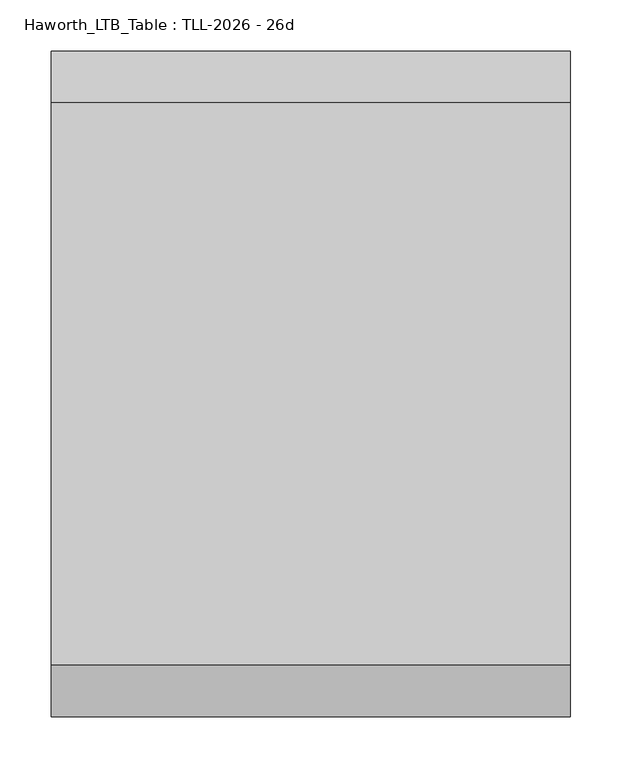
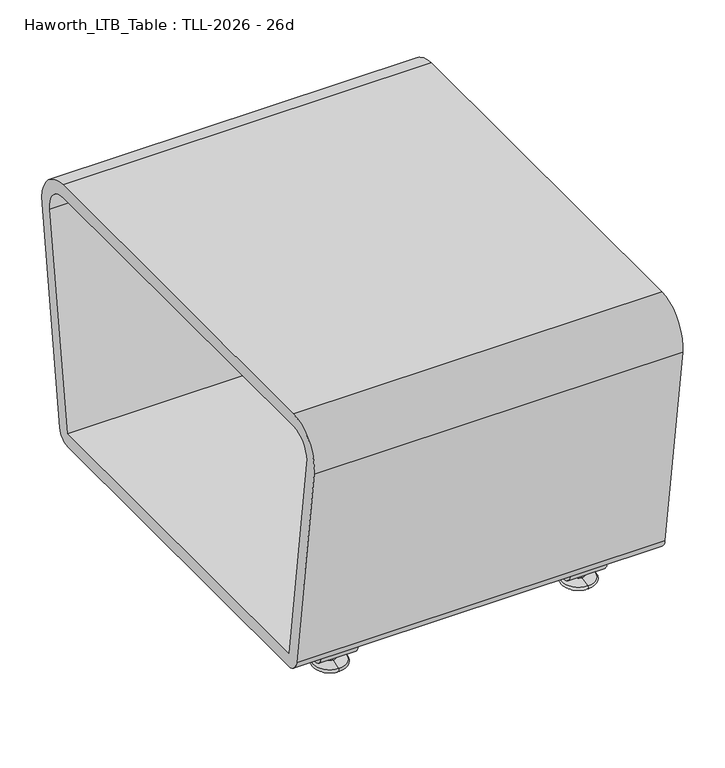
"""IFC4 building model written with IfcOpenShell, lengths in millimetres: furniture geometry, Haworth_LTB_Table : TLL-2026 - 26d."""

from ifc_helpers import new_model, si_unit, point, frame, frame_2d, origin, place, context, project, spatial, polyline, circle_curve, ellipse_curve, trimmed, segment, composite_curve, outline, extrude, source, transform, mapped, element, save
from ifc_brep_helpers import plane_surface, cylinder_surface, revolved_surface, advanced_brep


def haworth_ltb_table_tll_2026_26d_0a7d64eb(model_context):
    return source(origin(), model_context, "Body", "SolidModel", [
        advanced_brep(
        [(272.9954642, 287.2425052, 7.8133431), (272.9954642, 303.2355515, 7.8133431), (272.9954642, 300.0015284, 7.8133431), (272.9954642, 290.4765284, 7.8133431), (272.9954642, 273.3001513, 4.0775), (272.9954642, 317.1779054, 4.0775), (272.9954642, 273.7107026, 0.0), (272.9954642, 316.7673542, 0.0), (272.9954642, 295.2390284, 0.0), (272.9954642, 290.4765284, 50.0000004), (272.9954642, 300.0015284, 50.0000004), (272.9954642, 295.2390284, 50.0000004)],
        [
            (0, 1, circle_curve(frame((272.9954642, 295.2390284, 7.8133431), z_axis=(0.0, 0.0, 1.0), x_axis=(0.0, 1.0, 0.0)), 7.9965232)),
            (1, 2),
            (2, 3, circle_curve(frame((272.9954642, 295.2390284, 7.8133431), z_axis=(0.0, 0.0, -1.0), x_axis=(0.0, 1.0, 0.0)), 4.7625)),
            (3, 0),
            (1, 0, circle_curve(frame((272.9954642, 295.2390284, 7.8133431), z_axis=(0.0, 0.0, 1.0), x_axis=(0.0, 1.0, 0.0)), 7.9965232)),
            (3, 2, circle_curve(frame((272.9954642, 295.2390284, 7.8133431), z_axis=(0.0, 0.0, -1.0), x_axis=(0.0, 1.0, 0.0)), 4.7625)),
            (4, 5, circle_curve(frame((272.9954642, 295.2390284, 4.0775), z_axis=(0.0, 0.0, 1.0), x_axis=(0.0, 1.0, 0.0)), 21.9388771)),
            (5, 1),
            (0, 4),
            (5, 4, circle_curve(frame((272.9954642, 295.2390284, 4.0775), z_axis=(0.0, 0.0, 1.0), x_axis=(0.0, 1.0, 0.0)), 21.9388771)),
            (6, 7, circle_curve(frame((272.9954642, 295.2390284, 0.0), z_axis=(0.0, 0.0, 1.0), x_axis=(0.0, 1.0, 0.0)), 21.5283258)),
            (7, 5, circle_curve(frame((272.9954642, 316.6405822, 2.0721829), z_axis=(1.0, 0.0, 0.0), x_axis=(0.0, -1.0, 0.0)), 2.0760571)),
            (4, 6, circle_curve(frame((272.9954642, 273.8374745, 2.0721829), z_axis=(1.0, 0.0, 0.0), x_axis=(0.0, 1.0, 0.0)), 2.0760571)),
            (7, 6, circle_curve(frame((272.9954642, 295.2390284, 0.0), z_axis=(0.0, 0.0, 1.0), x_axis=(0.0, 1.0, 0.0)), 21.5283258)),
            (8, 7),
            (6, 8),
            (9, 10, circle_curve(frame((272.9954642, 295.2390284, 50.0000004), z_axis=(0.0, 0.0, 1.0), x_axis=(0.0, 1.0, 0.0)), 4.7625)),
            (10, 11),
            (11, 9),
            (10, 9, circle_curve(frame((272.9954642, 295.2390284, 50.0000004), z_axis=(0.0, 0.0, 1.0), x_axis=(0.0, 1.0, 0.0)), 4.7625)),
            (2, 10),
            (9, 3),
        ],
        [
            plane_surface(frame((272.9954642, 295.2390284, 7.8133431), z_axis=(0.0, 0.0, 1.0), x_axis=(0.0, 1.0, 0.0))),
            revolved_surface(polyline([(272.9954642, 303.2355515, 7.8133431), (272.9954642, 317.1779054, 4.0775)]), (272.9954642, 295.2390284, 0.0), (0.0, 0.0, -1.0)),
            revolved_surface(trimmed(ellipse_curve(frame((272.9954642, 316.6405822, 2.0721829), z_axis=(-1.0, 0.0, 0.0), x_axis=(0.0, -1.0, 0.0)), 2.0760571, 2.0760571), [point((272.9954642, 317.1779054, 4.0775))], [point((272.9954642, 316.7673542, 0.0))], True, "CARTESIAN"), (272.9954642, 295.2390284, 0.0), (0.0, 0.0, -1.0)),
            plane_surface(frame((272.9954642, 295.2390284, 0.0), z_axis=(0.0, 0.0, -1.0), x_axis=(0.0, 1.0, 0.0))),
            plane_surface(frame((272.9954642, 295.2390284, 50.0000004), z_axis=(0.0, 0.0, 1.0), x_axis=(0.0, 1.0, 0.0))),
            cylinder_surface(frame((272.9954642, 295.2390284, 0.0), z_axis=(0.0, 0.0, -1.0), x_axis=(0.0, 1.0, 0.0)), 4.7625),
        ],
        [
            (0, [[1, 2, 3, 4]]),
            (0, [[5, -4, 6, -2]]),
            (1, [[7, 8, -1, 9]]),
            (1, [[10, -9, -5, -8]]),
            (2, [[11, 12, -7, 13]]),
            (2, [[14, -13, -10, -12]]),
            (3, [[15, -11, 16]]),
            (3, [[-16, -14, -15]]),
            (4, [[17, 18, 19]]),
            (4, [[20, -19, -18]]),
            (5, [[-3, 21, -17, 22]]),
            (5, [[-6, -22, -20, -21]]),
        ],
    ),
        extrude(outline(composite_curve([segment(trimmed(circle_curve(frame_2d((304.394834, 30.0000007)), 15.000001), [point((319.248856, 27.9124042))], [point((304.394834, 14.9999997))], False, "CARTESIAN"), True, "CONTINUOUS"), segment(polyline([(304.394834, 14.9999997), (286.0832228, 14.9999997)]), True, "CONTINUOUS"), segment(trimmed(circle_curve(frame_2d((286.0832228, 30.0000007)), 15.000001), [point((286.0832228, 14.9999997))], [point((271.2292007, 27.9124042))], False, "CARTESIAN"), True, "CONTINUOUS"), segment(polyline([(271.2292007, 27.9124042), (268.1249917, 50.0000004), (273.8709154, 50.0000004), (276.8638262, 28.7043023)]), True, "CONTINUOUS"), segment(trimmed(circle_curve(frame_2d((286.0832241, 30.0000023)), 9.310002), [point((276.8638262, 28.7043023))], [point((286.0832241, 20.6900003))], True, "CARTESIAN"), True, "CONTINUOUS"), segment(polyline([(286.0832241, 20.6900003), (304.3948326, 20.6900003)]), True, "CONTINUOUS"), segment(trimmed(circle_curve(frame_2d((304.3948326, 30.0000023)), 9.310002), [point((304.3948326, 20.6900003))], [point((313.6142305, 28.7043023))], True, "CARTESIAN"), True, "CONTINUOUS"), segment(polyline([(313.6142305, 28.7043023), (316.6071413, 50.0000004), (322.353065, 50.0000004), (319.248856, 27.9124042)]), True, "CONTINUOUS")], self_intersect=False)), frame((247.5954642, 0.0, 0.0), z_axis=(1.0, 0.0, 0.0), x_axis=(0.0, 1.0, 0.0)), (0.0, 0.0, 1.0), 50.8),
        advanced_brep(
        [(616.0045358, 290.4765284, 7.8133431), (616.0045358, 300.0015284, 7.8133431), (616.0045358, 303.2355515, 7.8133431), (616.0045358, 287.2425052, 7.8133431), (616.0045358, 317.1779054, 4.0775), (616.0045358, 273.3001513, 4.0775), (616.0045358, 316.7673542, 0.0), (616.0045358, 273.7107026, 0.0), (616.0045358, 295.2390284, 0.0), (616.0045358, 295.2390284, 50.0000004), (616.0045358, 300.0015284, 50.0000004), (616.0045358, 290.4765284, 50.0000004)],
        [
            (0, 1, circle_curve(frame((616.0045358, 295.2390284, 7.8133431), z_axis=(0.0, 0.0, -1.0), x_axis=(0.0, 1.0, 0.0)), 4.7625)),
            (1, 2),
            (2, 3, circle_curve(frame((616.0045358, 295.2390284, 7.8133431), z_axis=(0.0, 0.0, 1.0), x_axis=(0.0, 1.0, 0.0)), 7.9965232)),
            (3, 0),
            (1, 0, circle_curve(frame((616.0045358, 295.2390284, 7.8133431), z_axis=(0.0, 0.0, -1.0), x_axis=(0.0, 1.0, 0.0)), 4.7625)),
            (3, 2, circle_curve(frame((616.0045358, 295.2390284, 7.8133431), z_axis=(0.0, 0.0, 1.0), x_axis=(0.0, 1.0, 0.0)), 7.9965232)),
            (2, 4),
            (4, 5, circle_curve(frame((616.0045358, 295.2390284, 4.0775), z_axis=(0.0, 0.0, 1.0), x_axis=(0.0, 1.0, 0.0)), 21.9388771)),
            (5, 3),
            (5, 4, circle_curve(frame((616.0045358, 295.2390284, 4.0775), z_axis=(0.0, 0.0, 1.0), x_axis=(0.0, 1.0, 0.0)), 21.9388771)),
            (4, 6, circle_curve(frame((616.0045358, 316.6405822, 2.0721829), z_axis=(-1.0, 0.0, 0.0), x_axis=(0.0, -1.0, 0.0)), 2.0760571)),
            (6, 7, circle_curve(frame((616.0045358, 295.2390284, 0.0), z_axis=(0.0, 0.0, 1.0), x_axis=(0.0, 1.0, 0.0)), 21.5283258)),
            (7, 5, circle_curve(frame((616.0045358, 273.8374745, 2.0721829), z_axis=(-1.0, 0.0, 0.0), x_axis=(0.0, 1.0, 0.0)), 2.0760571)),
            (7, 6, circle_curve(frame((616.0045358, 295.2390284, 0.0), z_axis=(0.0, 0.0, 1.0), x_axis=(0.0, 1.0, 0.0)), 21.5283258)),
            (6, 8),
            (8, 7),
            (9, 10),
            (10, 11, circle_curve(frame((616.0045358, 295.2390284, 50.0000004), z_axis=(0.0, 0.0, 1.0), x_axis=(0.0, 1.0, 0.0)), 4.7625)),
            (11, 9),
            (11, 10, circle_curve(frame((616.0045358, 295.2390284, 50.0000004), z_axis=(0.0, 0.0, 1.0), x_axis=(0.0, 1.0, 0.0)), 4.7625)),
            (10, 1),
            (0, 11),
        ],
        [
            plane_surface(frame((616.0045358, 295.2390284, 7.8133431), z_axis=(0.0, 0.0, 1.0), x_axis=(0.0, 1.0, 0.0))),
            revolved_surface(polyline([(616.0045358, 317.1779054, 4.0775), (616.0045358, 303.2355515, 7.8133431)]), (616.0045358, 295.2390284, 0.0), (0.0, 0.0, 1.0)),
            revolved_surface(trimmed(ellipse_curve(frame((616.0045358, 316.6405822, 2.0721829), z_axis=(1.0, 0.0, 0.0), x_axis=(0.0, -1.0, 0.0)), 2.0760571, 2.0760571), [point((616.0045358, 316.7673542, 0.0))], [point((616.0045358, 317.1779054, 4.0775))], True, "CARTESIAN"), (616.0045358, 295.2390284, 0.0), (0.0, 0.0, 1.0)),
            plane_surface(frame((616.0045358, 295.2390284, 0.0), z_axis=(0.0, 0.0, -1.0), x_axis=(0.0, 1.0, 0.0))),
            plane_surface(frame((616.0045358, 295.2390284, 50.0000004), z_axis=(0.0, 0.0, 1.0), x_axis=(0.0, 1.0, 0.0))),
            cylinder_surface(frame((616.0045358, 295.2390284, 0.0), z_axis=(0.0, 0.0, 1.0), x_axis=(0.0, 1.0, 0.0)), 4.7625),
        ],
        [
            (0, [[1, 2, 3, 4]]),
            (0, [[5, -4, 6, -2]]),
            (1, [[-3, 7, 8, 9]]),
            (1, [[-6, -9, 10, -7]]),
            (2, [[-8, 11, 12, 13]]),
            (2, [[-10, -13, 14, -11]]),
            (3, [[-12, 15, 16]]),
            (3, [[-14, -16, -15]]),
            (4, [[17, 18, 19]]),
            (4, [[-19, 20, -17]]),
            (5, [[-18, 21, -1, 22]]),
            (5, [[-20, -22, -5, -21]]),
        ],
    ),
        extrude(outline(composite_curve([segment(trimmed(circle_curve(frame_2d((304.394834, 30.0000007)), 15.000001), [point((319.248856, 27.9124042))], [point((304.394834, 14.9999997))], False, "CARTESIAN"), True, "CONTINUOUS"), segment(polyline([(304.394834, 14.9999997), (286.0832228, 14.9999997)]), True, "CONTINUOUS"), segment(trimmed(circle_curve(frame_2d((286.0832228, 30.0000007)), 15.000001), [point((286.0832228, 14.9999997))], [point((271.2292007, 27.9124042))], False, "CARTESIAN"), True, "CONTINUOUS"), segment(polyline([(271.2292007, 27.9124042), (268.1249917, 50.0000004), (273.8709154, 50.0000004), (276.8638262, 28.7043023)]), True, "CONTINUOUS"), segment(trimmed(circle_curve(frame_2d((286.0832241, 30.0000023)), 9.310002), [point((276.8638262, 28.7043023))], [point((286.0832241, 20.6900003))], True, "CARTESIAN"), True, "CONTINUOUS"), segment(polyline([(286.0832241, 20.6900003), (304.3948326, 20.6900003)]), True, "CONTINUOUS"), segment(trimmed(circle_curve(frame_2d((304.3948326, 30.0000023)), 9.310002), [point((304.3948326, 20.6900003))], [point((313.6142305, 28.7043023))], True, "CARTESIAN"), True, "CONTINUOUS"), segment(polyline([(313.6142305, 28.7043023), (316.6071413, 50.0000004), (322.353065, 50.0000004), (319.248856, 27.9124042)]), True, "CONTINUOUS")], self_intersect=False)), frame((590.6045358, 0.0, 0.0), z_axis=(1.0, 0.0, 0.0), x_axis=(0.0, 1.0, 0.0)), (0.0, 0.0, 1.0), 50.8),
        advanced_brep(
        [(272.9954642, -138.0765284, 7.8133431), (272.9954642, -147.6015284, 7.8133431), (272.9954642, -150.8355515, 7.8133431), (272.9954642, -134.8425052, 7.8133431), (272.9954642, -164.7779054, 4.0775), (272.9954642, -120.9001513, 4.0775), (272.9954642, -164.3673542, 0.0), (272.9954642, -121.3107026, 0.0), (272.9954642, -142.8390284, 0.0), (272.9954642, -142.8390284, 50.0000004), (272.9954642, -147.6015284, 50.0000004), (272.9954642, -138.0765284, 50.0000004)],
        [
            (0, 1, circle_curve(frame((272.9954642, -142.8390284, 7.8133431), z_axis=(0.0, 0.0, -1.0), x_axis=(0.0, -1.0, 0.0)), 4.7625)),
            (1, 2),
            (2, 3, circle_curve(frame((272.9954642, -142.8390284, 7.8133431), z_axis=(0.0, 0.0, 1.0), x_axis=(0.0, -1.0, 0.0)), 7.9965232)),
            (3, 0),
            (1, 0, circle_curve(frame((272.9954642, -142.8390284, 7.8133431), z_axis=(0.0, 0.0, -1.0), x_axis=(0.0, -1.0, 0.0)), 4.7625)),
            (3, 2, circle_curve(frame((272.9954642, -142.8390284, 7.8133431), z_axis=(0.0, 0.0, 1.0), x_axis=(0.0, -1.0, 0.0)), 7.9965232)),
            (2, 4),
            (4, 5, circle_curve(frame((272.9954642, -142.8390284, 4.0775), z_axis=(0.0, 0.0, 1.0), x_axis=(0.0, -1.0, 0.0)), 21.9388771)),
            (5, 3),
            (5, 4, circle_curve(frame((272.9954642, -142.8390284, 4.0775), z_axis=(0.0, 0.0, 1.0), x_axis=(0.0, -1.0, 0.0)), 21.9388771)),
            (4, 6, circle_curve(frame((272.9954642, -164.2405822, 2.0721829), z_axis=(1.0, 0.0, 0.0), x_axis=(0.0, 1.0, 0.0)), 2.0760571)),
            (6, 7, circle_curve(frame((272.9954642, -142.8390284, 0.0), z_axis=(0.0, 0.0, 1.0), x_axis=(0.0, -1.0, 0.0)), 21.5283258)),
            (7, 5, circle_curve(frame((272.9954642, -121.4374745, 2.0721829), z_axis=(1.0, 0.0, 0.0), x_axis=(0.0, -1.0, 0.0)), 2.0760571)),
            (7, 6, circle_curve(frame((272.9954642, -142.8390284, 0.0), z_axis=(0.0, 0.0, 1.0), x_axis=(0.0, -1.0, 0.0)), 21.5283258)),
            (6, 8),
            (8, 7),
            (9, 10),
            (10, 11, circle_curve(frame((272.9954642, -142.8390284, 50.0000004), z_axis=(0.0, 0.0, 1.0), x_axis=(0.0, -1.0, 0.0)), 4.7625)),
            (11, 9),
            (11, 10, circle_curve(frame((272.9954642, -142.8390284, 50.0000004), z_axis=(0.0, 0.0, 1.0), x_axis=(0.0, -1.0, 0.0)), 4.7625)),
            (10, 1),
            (0, 11),
        ],
        [
            plane_surface(frame((272.9954642, -142.8390284, 7.8133431), z_axis=(0.0, 0.0, 1.0), x_axis=(0.0, -1.0, 0.0))),
            revolved_surface(polyline([(272.9954642, -164.7779054, 4.0775), (272.9954642, -150.8355515, 7.8133431)]), (272.9954642, -142.8390284, 0.0), (0.0, 0.0, 1.0)),
            revolved_surface(trimmed(ellipse_curve(frame((272.9954642, -164.2405822, 2.0721829), z_axis=(-1.0, 0.0, 0.0), x_axis=(0.0, 1.0, 0.0)), 2.0760571, 2.0760571), [point((272.9954642, -164.3673542, 0.0))], [point((272.9954642, -164.7779054, 4.0775))], True, "CARTESIAN"), (272.9954642, -142.8390284, 0.0), (0.0, 0.0, 1.0)),
            plane_surface(frame((272.9954642, -142.8390284, 0.0), z_axis=(0.0, 0.0, -1.0), x_axis=(0.0, -1.0, 0.0))),
            plane_surface(frame((272.9954642, -142.8390284, 50.0000004), z_axis=(0.0, 0.0, 1.0), x_axis=(0.0, -1.0, 0.0))),
            cylinder_surface(frame((272.9954642, -142.8390284, 0.0), z_axis=(0.0, 0.0, 1.0), x_axis=(0.0, -1.0, 0.0)), 4.7625),
        ],
        [
            (0, [[1, 2, 3, 4]]),
            (0, [[5, -4, 6, -2]]),
            (1, [[-3, 7, 8, 9]]),
            (1, [[-6, -9, 10, -7]]),
            (2, [[-8, 11, 12, 13]]),
            (2, [[-10, -13, 14, -11]]),
            (3, [[-12, 15, 16]]),
            (3, [[-14, -16, -15]]),
            (4, [[17, 18, 19]]),
            (4, [[-19, 20, -17]]),
            (5, [[-18, 21, -1, 22]]),
            (5, [[-20, -22, -5, -21]]),
        ],
    ),
        extrude(outline(composite_curve([segment(polyline([(-166.848856, 27.9124042), (-169.953065, 50.0000004), (-164.2071413, 50.0000004), (-161.2142305, 28.7043023)]), True, "CONTINUOUS"), segment(trimmed(circle_curve(frame_2d((-151.9948326, 30.0000023)), 9.310002), [point((-161.2142305, 28.7043023))], [point((-151.9948326, 20.6900003))], True, "CARTESIAN"), True, "CONTINUOUS"), segment(polyline([(-151.9948326, 20.6900003), (-133.6832241, 20.6900003)]), True, "CONTINUOUS"), segment(trimmed(circle_curve(frame_2d((-133.6832241, 30.0000023)), 9.310002), [point((-133.6832241, 20.6900003))], [point((-124.4638262, 28.7043023))], True, "CARTESIAN"), True, "CONTINUOUS"), segment(polyline([(-124.4638262, 28.7043023), (-121.4709154, 50.0000004), (-115.7249917, 50.0000004), (-118.8292007, 27.9124042)]), True, "CONTINUOUS"), segment(trimmed(circle_curve(frame_2d((-133.6832228, 30.0000007)), 15.000001), [point((-118.8292007, 27.9124042))], [point((-133.6832228, 14.9999997))], False, "CARTESIAN"), True, "CONTINUOUS"), segment(polyline([(-133.6832228, 14.9999997), (-151.994834, 14.9999997)]), True, "CONTINUOUS"), segment(trimmed(circle_curve(frame_2d((-151.994834, 30.0000007)), 15.000001), [point((-151.994834, 14.9999997))], [point((-166.848856, 27.9124042))], False, "CARTESIAN"), True, "CONTINUOUS")], self_intersect=False)), frame((247.5954642, 0.0, 0.0), z_axis=(1.0, 0.0, 0.0), x_axis=(0.0, 1.0, 0.0)), (0.0, 0.0, 1.0), 50.8),
        extrude(outline(composite_curve([segment(trimmed(circle_curve(frame_2d((340.2390314, 68.9999996)), 18.9999992), [point((359.0541239, 66.3557108))], [point((340.2390314, 50.0000004))], False, "CARTESIAN"), True, "CONTINUOUS"), segment(polyline([(340.2390314, 50.0000004), (-187.8390314, 50.0000004)]), True, "CONTINUOUS"), segment(trimmed(circle_curve(frame_2d((-187.8390314, 68.9999996)), 18.9999992), [point((-187.8390314, 50.0000004))], [point((-206.6541239, 66.3557108))], False, "CARTESIAN"), True, "CONTINUOUS"), segment(polyline([(-206.6541239, 66.3557108), (-248.9251946, 367.13001)]), True, "CONTINUOUS"), segment(trimmed(circle_curve(frame_2d((-198.6195767, 374.2000035)), 50.8), [point((-248.9251946, 367.13001))], [point((-198.6195767, 425.0000035))], False, "CARTESIAN"), True, "CONTINUOUS"), segment(polyline([(-198.6195767, 425.0000035), (351.0195767, 425.0000035)]), True, "CONTINUOUS"), segment(trimmed(circle_curve(frame_2d((351.0195767, 374.2000035)), 50.8), [point((351.0195767, 425.0000035))], [point((401.3251946, 367.13001))], False, "CARTESIAN"), True, "CONTINUOUS"), segment(polyline([(401.3251946, 367.13001), (359.0541239, 66.3557108)]), True, "CONTINUOUS")], self_intersect=False), holes=[composite_curve([segment(polyline([(-230.2134277, 370.7354743), (-187.8072865, 68.9999989), (340.2072865, 68.9999989), (382.6134277, 370.7354743)]), True, "CONTINUOUS"), segment(trimmed(circle_curve(frame_2d((351.9584416, 375.0437502)), 30.95625), [point((382.6134277, 370.7354743))], [point((351.9584416, 406.0000002))], True, "CARTESIAN"), True, "CONTINUOUS"), segment(polyline([(351.9584416, 406.0000002), (-199.5584416, 406.0000002)]), True, "CONTINUOUS"), segment(trimmed(circle_curve(frame_2d((-199.5584416, 375.0437502)), 30.95625), [point((-199.5584416, 406.0000002))], [point((-230.2134277, 370.7354743))], True, "CARTESIAN"), True, "CONTINUOUS")], self_intersect=False)]), frame((190.5, 0.0, 0.0), z_axis=(1.0, 0.0, 0.0), x_axis=(0.0, 1.0, 0.0)), (0.0, 0.0, 1.0), 508.0),
        advanced_brep(
        [(616.0045358, -134.8425052, 7.8133431), (616.0045358, -150.8355515, 7.8133431), (616.0045358, -147.6015284, 7.8133431), (616.0045358, -138.0765284, 7.8133431), (616.0045358, -120.9001513, 4.0775), (616.0045358, -164.7779054, 4.0775), (616.0045358, -121.3107026, 0.0), (616.0045358, -164.3673542, 0.0), (616.0045358, -142.8390284, 0.0), (616.0045358, -138.0765284, 50.0000004), (616.0045358, -147.6015284, 50.0000004), (616.0045358, -142.8390284, 50.0000004)],
        [
            (0, 1, circle_curve(frame((616.0045358, -142.8390284, 7.8133431), z_axis=(0.0, 0.0, 1.0), x_axis=(0.0, -1.0, 0.0)), 7.9965232)),
            (1, 2),
            (2, 3, circle_curve(frame((616.0045358, -142.8390284, 7.8133431), z_axis=(0.0, 0.0, -1.0), x_axis=(0.0, -1.0, 0.0)), 4.7625)),
            (3, 0),
            (1, 0, circle_curve(frame((616.0045358, -142.8390284, 7.8133431), z_axis=(0.0, 0.0, 1.0), x_axis=(0.0, -1.0, 0.0)), 7.9965232)),
            (3, 2, circle_curve(frame((616.0045358, -142.8390284, 7.8133431), z_axis=(0.0, 0.0, -1.0), x_axis=(0.0, -1.0, 0.0)), 4.7625)),
            (4, 5, circle_curve(frame((616.0045358, -142.8390284, 4.0775), z_axis=(0.0, 0.0, 1.0), x_axis=(0.0, -1.0, 0.0)), 21.9388771)),
            (5, 1),
            (0, 4),
            (5, 4, circle_curve(frame((616.0045358, -142.8390284, 4.0775), z_axis=(0.0, 0.0, 1.0), x_axis=(0.0, -1.0, 0.0)), 21.9388771)),
            (6, 7, circle_curve(frame((616.0045358, -142.8390284, 0.0), z_axis=(0.0, 0.0, 1.0), x_axis=(0.0, -1.0, 0.0)), 21.5283258)),
            (7, 5, circle_curve(frame((616.0045358, -164.2405822, 2.0721829), z_axis=(-1.0, 0.0, 0.0), x_axis=(0.0, 1.0, 0.0)), 2.0760571)),
            (4, 6, circle_curve(frame((616.0045358, -121.4374745, 2.0721829), z_axis=(-1.0, 0.0, 0.0), x_axis=(0.0, -1.0, 0.0)), 2.0760571)),
            (7, 6, circle_curve(frame((616.0045358, -142.8390284, 0.0), z_axis=(0.0, 0.0, 1.0), x_axis=(0.0, -1.0, 0.0)), 21.5283258)),
            (8, 7),
            (6, 8),
            (9, 10, circle_curve(frame((616.0045358, -142.8390284, 50.0000004), z_axis=(0.0, 0.0, 1.0), x_axis=(0.0, -1.0, 0.0)), 4.7625)),
            (10, 11),
            (11, 9),
            (10, 9, circle_curve(frame((616.0045358, -142.8390284, 50.0000004), z_axis=(0.0, 0.0, 1.0), x_axis=(0.0, -1.0, 0.0)), 4.7625)),
            (2, 10),
            (9, 3),
        ],
        [
            plane_surface(frame((616.0045358, -142.8390284, 7.8133431), z_axis=(0.0, 0.0, 1.0), x_axis=(0.0, -1.0, 0.0))),
            revolved_surface(polyline([(616.0045358, -150.8355515, 7.8133431), (616.0045358, -164.7779054, 4.0775)]), (616.0045358, -142.8390284, 0.0), (0.0, 0.0, -1.0)),
            revolved_surface(trimmed(ellipse_curve(frame((616.0045358, -164.2405822, 2.0721829), z_axis=(1.0, 0.0, 0.0), x_axis=(0.0, 1.0, 0.0)), 2.0760571, 2.0760571), [point((616.0045358, -164.7779054, 4.0775))], [point((616.0045358, -164.3673542, 0.0))], True, "CARTESIAN"), (616.0045358, -142.8390284, 0.0), (0.0, 0.0, -1.0)),
            plane_surface(frame((616.0045358, -142.8390284, 0.0), z_axis=(0.0, 0.0, -1.0), x_axis=(0.0, -1.0, 0.0))),
            plane_surface(frame((616.0045358, -142.8390284, 50.0000004), z_axis=(0.0, 0.0, 1.0), x_axis=(0.0, -1.0, 0.0))),
            cylinder_surface(frame((616.0045358, -142.8390284, 0.0), z_axis=(0.0, 0.0, -1.0), x_axis=(0.0, -1.0, 0.0)), 4.7625),
        ],
        [
            (0, [[1, 2, 3, 4]]),
            (0, [[5, -4, 6, -2]]),
            (1, [[7, 8, -1, 9]]),
            (1, [[10, -9, -5, -8]]),
            (2, [[11, 12, -7, 13]]),
            (2, [[14, -13, -10, -12]]),
            (3, [[15, -11, 16]]),
            (3, [[-16, -14, -15]]),
            (4, [[17, 18, 19]]),
            (4, [[20, -19, -18]]),
            (5, [[-3, 21, -17, 22]]),
            (5, [[-6, -22, -20, -21]]),
        ],
    ),
        extrude(outline(composite_curve([segment(polyline([(-166.848856, 27.9124042), (-169.953065, 50.0000004), (-164.2071413, 50.0000004), (-161.2142305, 28.7043023)]), True, "CONTINUOUS"), segment(trimmed(circle_curve(frame_2d((-151.9948326, 30.0000023)), 9.310002), [point((-161.2142305, 28.7043023))], [point((-151.9948326, 20.6900003))], True, "CARTESIAN"), True, "CONTINUOUS"), segment(polyline([(-151.9948326, 20.6900003), (-133.6832241, 20.6900003)]), True, "CONTINUOUS"), segment(trimmed(circle_curve(frame_2d((-133.6832241, 30.0000023)), 9.310002), [point((-133.6832241, 20.6900003))], [point((-124.4638262, 28.7043023))], True, "CARTESIAN"), True, "CONTINUOUS"), segment(polyline([(-124.4638262, 28.7043023), (-121.4709154, 50.0000004), (-115.7249917, 50.0000004), (-118.8292007, 27.9124042)]), True, "CONTINUOUS"), segment(trimmed(circle_curve(frame_2d((-133.6832228, 30.0000007)), 15.000001), [point((-118.8292007, 27.9124042))], [point((-133.6832228, 14.9999997))], False, "CARTESIAN"), True, "CONTINUOUS"), segment(polyline([(-133.6832228, 14.9999997), (-151.994834, 14.9999997)]), True, "CONTINUOUS"), segment(trimmed(circle_curve(frame_2d((-151.994834, 30.0000007)), 15.000001), [point((-151.994834, 14.9999997))], [point((-166.848856, 27.9124042))], False, "CARTESIAN"), True, "CONTINUOUS")], self_intersect=False)), frame((590.6045358, 0.0, 0.0), z_axis=(1.0, 0.0, 0.0), x_axis=(0.0, 1.0, 0.0)), (0.0, 0.0, 1.0), 50.8),
    ])


if __name__ == "__main__":
    model = new_model("IFC4")
    model_context = context("Model", 3, world=origin())
    ifc_project = project(units=[si_unit("LENGTHUNIT", "METRE", prefix="MILLI")], contexts=[model_context])
    site = spatial("IfcSite", under=ifc_project)
    building = spatial("IfcBuilding", under=site)
    placement = place(None, origin())
    haworth_ltb_table_tll_2026_26d_shape = haworth_ltb_table_tll_2026_26d_0a7d64eb(model_context)
    element("IfcFurniture", 1, ObjectType="Haworth_LTB_Table : TLL-2026 - 26d", at=placement, inside=building, context=model_context, shape_type="MappedRepresentation", body=[
        mapped(haworth_ltb_table_tll_2026_26d_shape, transform((0.0, 0.0, 0.0), x_axis=(1.0, 0.0, 0.0), y_axis=(0.0, 1.0, 0.0), z_axis=(0.0, 0.0, 1.0))),
    ])
    save(model, "model.ifc")
